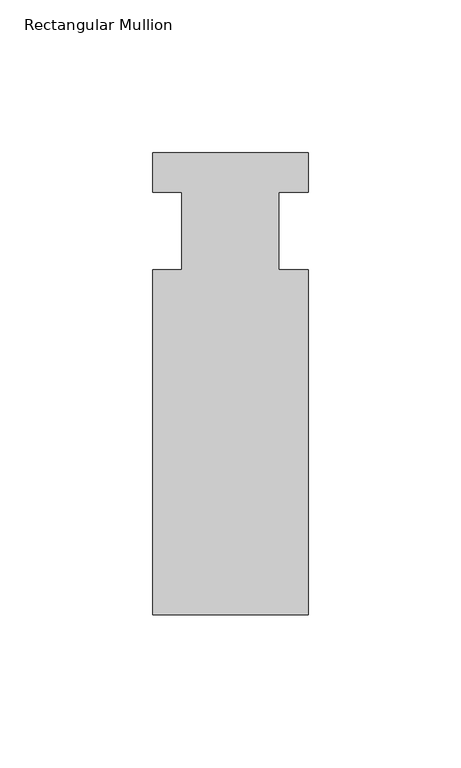
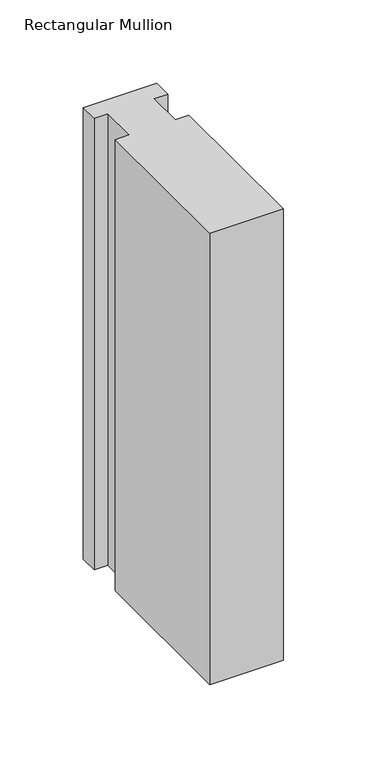
"""IFC4 building model written with IfcOpenShell, lengths in millimetres: member geometry, Rectangular Mullion."""

from ifc_helpers import new_model, si_unit, frame, origin, place, context, project, spatial, polyline, outline, extrude, source, transform, mapped, element, save


def rectangular_mullion_15907908(model_context):
    return source(origin(), model_context, "Body", "SweptSolid", [
        extrude(outline(polyline([(-25.4, 25.5984375), (25.4, 25.5984375), (25.4, 12.7), (15.875, 12.7), (15.875, -12.7), (25.4, -12.7), (25.4, -125.6109375), (-25.4, -125.6109375), (-25.4, -12.7), (-15.875, -12.7), (-15.875, 12.7), (-25.4, 12.7), (-25.4, 25.5984375)])), frame((0.0, 0.0, -330.2), z_axis=(0.0, 0.0, 1.0), x_axis=(1.0, 0.0, 0.0)), (0.0, 0.0, 1.0), 330.2),
    ])


if __name__ == "__main__":
    model = new_model("IFC4")
    model_context = context("Model", 3, world=origin())
    ifc_project = project(units=[si_unit("LENGTHUNIT", "METRE", prefix="MILLI")], contexts=[model_context])
    site = spatial("IfcSite", under=ifc_project)
    building = spatial("IfcBuilding", under=site)
    placement = place(None, origin())
    rectangular_mullion_shape = rectangular_mullion_15907908(model_context)
    element("IfcMember", 1, ObjectType="Rectangular Mullion", at=placement, inside=building, context=model_context, shape_type="MappedRepresentation", body=[
        mapped(rectangular_mullion_shape, transform((0.0, 0.0, 0.0), x_axis=(1.0, 0.0, 0.0), y_axis=(0.0, 1.0, 0.0), z_axis=(0.0, 0.0, 1.0))),
    ])
    save(model, "model.ifc")
